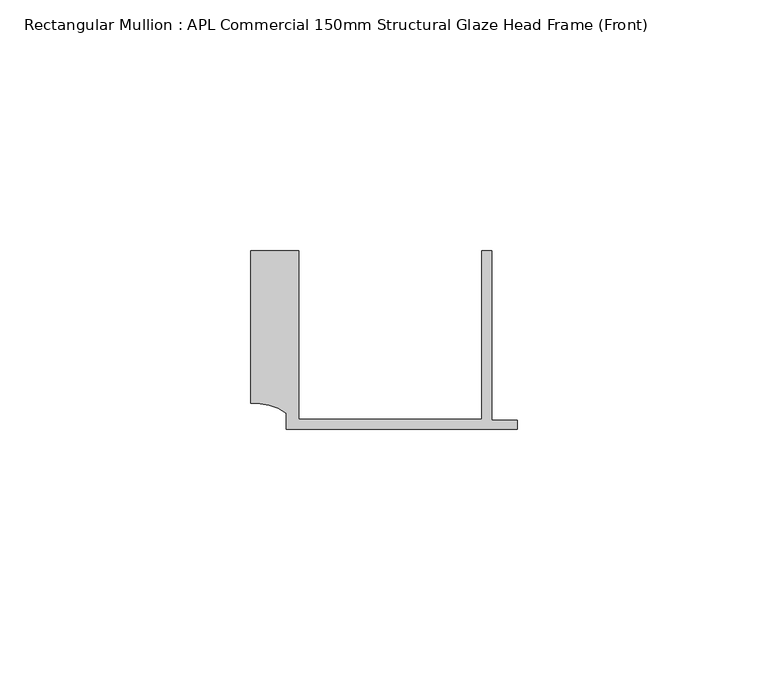
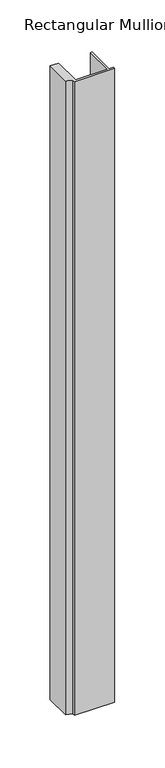
"""IFC4 building model written with IfcOpenShell, lengths in millimetres: member geometry, Rectangular Mullion : APL Commercial 150mm Structural Glaze Head Frame (Front)."""

from ifc_helpers import new_model, si_unit, point, frame, frame_2d, origin, place, context, project, spatial, polyline, circle_curve, trimmed, segment, composite_curve, outline, extrude, source, transform, mapped, element, save


def rectangular_mullion_apl_commercial_150mm_structural_glaze_0874d38a(model_context):
    return source(origin(), model_context, "Body", "SweptSolid", [
        extrude(outline(composite_curve([segment(polyline([(-52.9999542, 15.0), (-43.5000151, 15.0), (-43.5000151, -18.5002486), (-7.0, -18.5002486), (-7.0, 15.0), (-5.0, 15.0), (-5.0, -18.7002486), (0.0, -18.7002486), (0.0, -20.5002486), (-45.9999994, -20.5002486), (-45.9999994, -17.3126154)]), True, "CONTINUOUS"), segment(trimmed(circle_curve(frame_2d((-52.109817, -25.7982641)), 10.4563907), [point((-45.9999994, -17.3126154))], [point((-52.9999542, -15.3798304))], True, "CARTESIAN"), True, "CONTINUOUS"), segment(polyline([(-52.9999542, -15.3798304), (-52.9999542, 15.0)]), True, "CONTINUOUS")], self_intersect=False)), frame((0.0, 0.0, -766.1423736), z_axis=(0.0, 0.0, 1.0), x_axis=(1.0, 0.0, 0.0)), (0.0, 0.0, 1.0), 766.1423736),
    ])


if __name__ == "__main__":
    model = new_model("IFC4")
    model_context = context("Model", 3, world=origin())
    ifc_project = project(units=[si_unit("LENGTHUNIT", "METRE", prefix="MILLI")], contexts=[model_context])
    site = spatial("IfcSite", under=ifc_project)
    building = spatial("IfcBuilding", under=site)
    placement = place(None, origin())
    rectangular_mullion_apl_commercial_150mm_structural_glaze_shape = rectangular_mullion_apl_commercial_150mm_structural_glaze_0874d38a(model_context)
    element("IfcMember", 1, ObjectType="Rectangular Mullion : APL Commercial 150mm Structural Glaze Head Frame (Front)", at=placement, inside=building, context=model_context, shape_type="MappedRepresentation", body=[
        mapped(rectangular_mullion_apl_commercial_150mm_structural_glaze_shape, transform((0.0, 0.0, 0.0), x_axis=(1.0, 0.0, 0.0), y_axis=(0.0, 1.0, 0.0), z_axis=(0.0, 0.0, 1.0))),
    ])
    save(model, "model.ifc")
